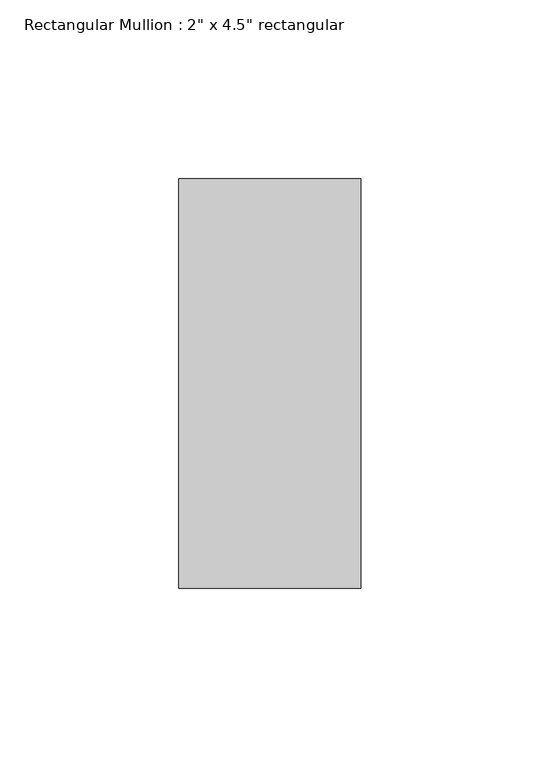
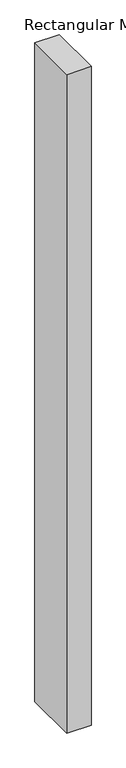
"""IFC4 building model written with IfcOpenShell, lengths in millimetres: member geometry."""

from ifc_helpers import new_model, si_unit, frame, origin, place, context, project, spatial, polyline, outline, extrude, source, transform, mapped, element, save


def member_620cb657(model_context):
    return source(origin(), model_context, "Body", "SweptSolid", [
        extrude(outline(polyline([(25.4, 57.15), (25.4, -57.15), (-25.4, -57.15), (-25.4, 57.15), (25.4, 57.15)])), frame((0.0, 0.0, -1447.8), z_axis=(0.0, 0.0, 1.0), x_axis=(1.0, 0.0, 0.0)), (0.0, 0.0, 1.0), 1447.8),
    ])


if __name__ == "__main__":
    model = new_model("IFC4")
    model_context = context("Model", 3, world=origin())
    ifc_project = project(units=[si_unit("LENGTHUNIT", "METRE", prefix="MILLI")], contexts=[model_context])
    site = spatial("IfcSite", under=ifc_project)
    building = spatial("IfcBuilding", under=site)
    placement = place(None, origin())
    member_shape = member_620cb657(model_context)
    element("IfcMember", 1, ObjectType="Rectangular Mullion : 2\" x 4.5\" rectangular", at=placement, inside=building, context=model_context, shape_type="MappedRepresentation", body=[
        mapped(member_shape, transform((0.0, 0.0, 0.0), x_axis=(1.0, 0.0, 0.0), y_axis=(0.0, 1.0, 0.0), z_axis=(0.0, 0.0, 1.0))),
    ])
    save(model, "model.ifc")
